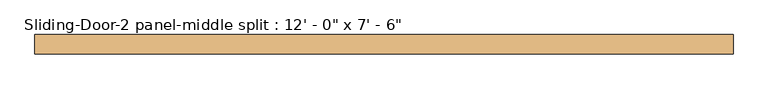
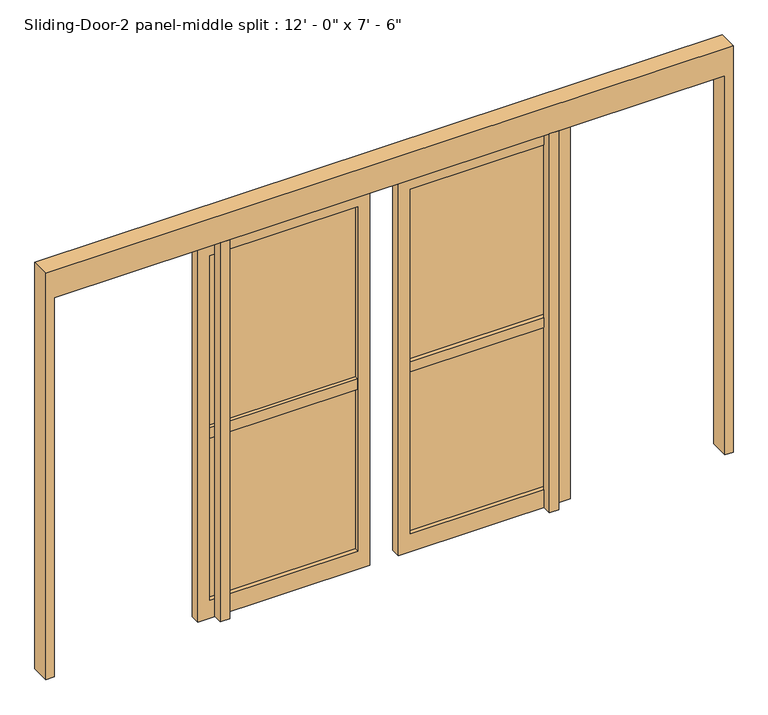
"""IFC4 building model written with IfcOpenShell, lengths in millimetres: door geometry."""

import ifcopenshell
import ifcopenshell.guid

model = None  # the IFC model being written
_history = None  # IfcOwnerHistory: only IFC2X3 demands one
_inside = {}  # id of a spatial element -> (the spatial element, [elements in it])
_under = {}  # id of a project, library or spatial element -> (it, [spatial elements below it])
_declared = {}  # id of a project -> (the project, [libraries it declares])
_typed = {}  # id of a type object -> (the type object, [elements of that type])
_made_of = {}  # id of a material, layer set ... -> (it, [elements and type objects made of it])


def new_model(schema):
    """Start an empty IFC model of exactly this schema.

    Asked for "IFC4X3", IfcOpenShell would pick the latest addendum, in which some entities
    have other attributes; the version numbers below select the first issue.
    IFC2X3 requires an IfcOwnerHistory on every rooted entity: one is made here for all.
    """
    global model, _history
    if schema == "IFC4X3":
        model = ifcopenshell.file(schema_version=(4, 3, 0, 0))
    else:
        model = ifcopenshell.file(schema=schema)
    _inside.clear()
    _under.clear()
    _declared.clear()
    _typed.clear()
    _made_of.clear()
    _history = None
    if model.schema == "IFC2X3":
        org = make("IfcOrganization", Name="unknown")
        user = make(
            "IfcPersonAndOrganization",
            ThePerson=make("IfcPerson", FamilyName="unknown"),
            TheOrganization=org,
        )
        app = make(
            "IfcApplication",
            ApplicationDeveloper=org,
            Version="unknown",
            ApplicationFullName="unknown",
            ApplicationIdentifier="unknown",
        )
        _history = make(
            "IfcOwnerHistory",
            OwningUser=user,
            OwningApplication=app,
            ChangeAction="ADDED",
            CreationDate=0,
        )
    return model


def make(cls, **values):
    """One entity of the class cls with the attributes given. An attribute that is None is left unset."""
    return model.create_entity(
        cls, **{name: value for name, value in values.items() if value is not None}
    )


def rooted(cls, **values):
    """An entity with a GlobalId (a new one), such as an element, a storey or a relation."""
    return make(cls, GlobalId=ifcopenshell.guid.new(), OwnerHistory=_history, **values)


def si_unit(unit_type, name, prefix=None):
    """IfcSIUnit, for example si_unit("LENGTHUNIT", "METRE", prefix="MILLI")."""
    return make("IfcSIUnit", UnitType=unit_type, Prefix=prefix, Name=name)


def assignment(units):
    """IfcUnitAssignment: the units of a project."""
    return None if units is None else make("IfcUnitAssignment", Units=units)


def point(xyz):
    """IfcCartesianPoint."""
    return None if xyz is None else make("IfcCartesianPoint", Coordinates=xyz)


def direction(xyz):
    """IfcDirection."""
    return None if xyz is None else make("IfcDirection", DirectionRatios=xyz)


def frame(location, z_axis=None, x_axis=None):
    """IfcAxis2Placement3D, a coordinate frame: its origin and axes. An axis left out is left unset."""
    return make(
        "IfcAxis2Placement3D",
        Location=point(location),
        Axis=direction(z_axis),
        RefDirection=direction(x_axis),
    )


def origin():
    """The frame at (0, 0, 0) with its axes left unset."""
    return frame((0.0, 0.0, 0.0))


def origin_with_axes():
    """The frame at (0, 0, 0) with the z axis (0, 0, 1) and the x axis (1, 0, 0) written out."""
    return frame((0.0, 0.0, 0.0), z_axis=(0.0, 0.0, 1.0), x_axis=(1.0, 0.0, 0.0))


def place(relative_to, where):
    """IfcLocalPlacement: puts the frame where relative to a parent placement (None: the world)."""
    return make(
        "IfcLocalPlacement", PlacementRelTo=relative_to, RelativePlacement=where
    )


def context(
    kind, dimensions, precision=None, world=None, true_north=None, identifier=None
):
    """IfcGeometricRepresentationContext, for example the 3D "Model" context."""
    return make(
        "IfcGeometricRepresentationContext",
        ContextIdentifier=identifier,
        ContextType=kind,
        CoordinateSpaceDimension=dimensions,
        Precision=precision,
        WorldCoordinateSystem=world,
        TrueNorth=true_north,
    )


def project(units=None, contexts=None):
    """IfcProject with its units and contexts."""
    return rooted(
        "IfcProject",
        Name="project",
        RepresentationContexts=contexts,
        UnitsInContext=assignment(units),
    )


def spatial(cls, under=None, at=None, **own):
    """A site, building, storey or space (cls), placed at a placement, below another one or the project."""
    s = rooted(cls, ObjectPlacement=at, **own)
    if under is not None:
        _under.setdefault(under.id(), (under, []))[1].append(s)
    return s


def polyline(points):
    """IfcPolyline through the points."""
    return make("IfcPolyline", Points=[point(p) for p in points])


def outline(outer, holes=None, kind="AREA"):
    """IfcArbitraryClosedProfileDef: a profile drawn as a closed curve; with holes, ...WithVoids."""
    if holes is None:
        return make("IfcArbitraryClosedProfileDef", ProfileType=kind, OuterCurve=outer)
    return make(
        "IfcArbitraryProfileDefWithVoids",
        ProfileType=kind,
        OuterCurve=outer,
        InnerCurves=holes,
    )


def extrude(swept, where, along, depth):
    """IfcExtrudedAreaSolid: the profile swept, set in the frame where, extruded along a direction by depth."""
    return make(
        "IfcExtrudedAreaSolid",
        SweptArea=swept,
        Position=where,
        ExtrudedDirection=direction(along),
        Depth=depth,
    )


def shape(context_of_items, identifier, shape_type, items):
    """IfcShapeRepresentation: the items that make up one representation, for example the "Body"."""
    return make(
        "IfcShapeRepresentation",
        ContextOfItems=context_of_items,
        RepresentationIdentifier=identifier,
        RepresentationType=shape_type,
        Items=items,
    )


def source(mapping_origin, context_of_items, identifier, shape_type, items):
    """IfcRepresentationMap: a shape defined once, which mapped items show again and again."""
    return make(
        "IfcRepresentationMap",
        MappingOrigin=mapping_origin,
        MappedRepresentation=shape(context_of_items, identifier, shape_type, items),
    )


def transform(
    local_origin,
    x_axis=None,
    y_axis=None,
    z_axis=None,
    scale=None,
    scale2=None,
    scale3=None,
    uniform=True,
):
    """IfcCartesianTransformationOperator3D, or its non-uniform kind. x_axis, y_axis, z_axis: its Axis1, 2, 3."""
    if uniform:
        return make(
            "IfcCartesianTransformationOperator3D",
            Axis1=direction(x_axis),
            Axis2=direction(y_axis),
            LocalOrigin=point(local_origin),
            Scale=scale,
            Axis3=direction(z_axis),
        )
    return make(
        "IfcCartesianTransformationOperator3DnonUniform",
        Axis1=direction(x_axis),
        Axis2=direction(y_axis),
        LocalOrigin=point(local_origin),
        Scale=scale,
        Axis3=direction(z_axis),
        Scale2=scale2,
        Scale3=scale3,
    )


def mapped(mapping_source, mapping_target):
    """IfcMappedItem: shows the shape of a source again, moved by a transform."""
    return make(
        "IfcMappedItem", MappingSource=mapping_source, MappingTarget=mapping_target
    )


def made_of(thing, what):
    """Note that an element or type object is made of a material, layer set ...; save() writes the relation."""
    if what is not None:
        _made_of.setdefault(what.id(), (what, []))[1].append(thing)
    return thing


def element(
    cls,
    number,
    at=None,
    inside=None,
    cuts=None,
    type_object=None,
    material=None,
    context=None,
    identifier="Body",
    shape_type=None,
    held_by="IfcProductDefinitionShape",
    body=None,
    shapes=None,
    **own,
):
    """One element of the class cls, such as IfcWall. Its Tag is "e" and its number.

    at: its placement. inside: the storey or other place that contains it. cuts: it is an
    opening in that element (IfcRelVoidsElement). A single representation is given by context,
    identifier, shape_type and body (its items); several are given by shapes. held_by: the class
    of the entity that holds the representations. save() writes the other relations.
    """
    e = rooted(cls, Tag="e%d" % number, ObjectPlacement=at, **own)
    if body is not None:
        shapes = [shape(context, identifier, shape_type, body)]
    if shapes is not None:
        e.Representation = make(held_by, Representations=shapes)
    if inside is not None:
        _inside.setdefault(inside.id(), (inside, []))[1].append(e)
    if cuts is not None:
        rooted(
            "IfcRelVoidsElement", RelatingBuildingElement=cuts, RelatedOpeningElement=e
        )
    if type_object is not None:
        _typed.setdefault(type_object.id(), (type_object, []))[1].append(e)
    return made_of(e, material)


def aggregate(whole, parts):
    """IfcRelAggregates: a whole, such as a stair, and the parts it consists of."""
    return rooted("IfcRelAggregates", RelatingObject=whole, RelatedObjects=parts)


def save(model, path):
    """Write the relations noted so far, then the file.

    IfcRelAggregates (storeys below a building ...), IfcRelContainedInSpatialStructure (elements
    in a storey), IfcRelDefinesByType, IfcRelAssociatesMaterial and IfcRelDeclares: one each for
    every whole, place, type object, material and project.
    """
    for whole, parts in _under.values():
        aggregate(whole, parts)
    for where, things in _inside.values():
        rooted(
            "IfcRelContainedInSpatialStructure",
            RelatedElements=things,
            RelatingStructure=where,
        )
    for kind, things in _typed.values():
        rooted("IfcRelDefinesByType", RelatedObjects=things, RelatingType=kind)
    for what, things in _made_of.values():
        rooted("IfcRelAssociatesMaterial", RelatedObjects=things, RelatingMaterial=what)
    for by, libraries in _declared.values():
        rooted("IfcRelDeclares", RelatingContext=by, RelatedDefinitions=libraries)
    model.write(path)


def door_a224d55c(model_context):
    return source(origin(), model_context, "Body", "SweptSolid", [
        extrude(outline(polyline([(1371.6, 61.9125), (1320.8, 61.9125), (1320.8, 112.7125), (1371.6, 112.7125), (1371.6, 61.9125)])), origin_with_axes(), (0.0, 0.0, 1.0), 2133.6),
        extrude(outline(polyline([(2286.0, 2298.7), (2286.0, -1358.9), (0.0, -1358.9), (0.0, -1314.45), (2133.6, -1314.45), (2133.6, 2254.25), (0.0, 2254.25), (0.0, 2298.7), (2286.0, 2298.7)])), frame((0.0, 61.9125, 0.0), z_axis=(0.0, 1.0, 0.0), x_axis=(0.0, 0.0, 1.0)), (0.0, 0.0, 1.0), 101.6),
        extrude(outline(polyline([(-431.8, 112.7125), (-381.0, 112.7125), (-381.0, 61.9125), (-431.8, 61.9125), (-431.8, 112.7125)])), origin_with_axes(), (0.0, 0.0, 1.0), 2133.6),
        extrude(outline(polyline([(-457.2, 134.9375), (-457.2, 141.2875), (330.2, 141.2875), (330.2, 134.9375), (-457.2, 134.9375)])), frame((0.0, 0.0, 101.6), z_axis=(0.0, 0.0, 1.0), x_axis=(1.0, 0.0, 0.0)), (0.0, 0.0, 1.0), 1936.75),
        extrude(outline(polyline([(2133.6, 393.7), (2133.6, -520.7), (0.0, -520.7), (0.0, 393.7), (2133.6, 393.7)]), holes=[polyline([(2038.35, 330.2), (101.6, 330.2), (101.6, -457.2), (2038.35, -457.2), (2038.35, 330.2)])]), frame((0.0, 112.7125, 0.0), z_axis=(0.0, 1.0, 0.0), x_axis=(0.0, 0.0, 1.0)), (0.0, 0.0, 1.0), 50.8),
        extrude(outline(polyline([(-457.2, 112.7125), (-457.2, 163.5125), (330.2, 163.5125), (330.2, 112.7125), (-457.2, 112.7125)])), frame((0.0, 0.0, 1012.825), z_axis=(0.0, 0.0, 1.0), x_axis=(1.0, 0.0, 0.0)), (0.0, 0.0, 1.0), 57.15),
        extrude(outline(polyline([(1397.0, 134.9375), (609.6, 134.9375), (609.6, 141.2875), (1397.0, 141.2875), (1397.0, 134.9375)])), frame((0.0, 0.0, 101.6), z_axis=(0.0, 0.0, 1.0), x_axis=(1.0, 0.0, 0.0)), (0.0, 0.0, 1.0), 1936.75),
        extrude(outline(polyline([(2133.6, 546.1), (0.0, 546.1), (0.0, 1460.5), (2133.6, 1460.5), (2133.6, 546.1)]), holes=[polyline([(2038.35, 609.6), (2038.35, 1397.0), (101.6, 1397.0), (101.6, 609.6), (2038.35, 609.6)])]), frame((0.0, 112.7125, 0.0), z_axis=(0.0, 1.0, 0.0), x_axis=(0.0, 0.0, 1.0)), (0.0, 0.0, 1.0), 50.8),
        extrude(outline(polyline([(1397.0, 112.7125), (609.6, 112.7125), (609.6, 163.5125), (1397.0, 163.5125), (1397.0, 112.7125)])), frame((0.0, 0.0, 1012.825), z_axis=(0.0, 0.0, 1.0), x_axis=(1.0, 0.0, 0.0)), (0.0, 0.0, 1.0), 57.15),
    ])


if __name__ == "__main__":
    model = new_model("IFC4")
    model_context = context("Model", 3, world=origin())
    ifc_project = project(units=[si_unit("LENGTHUNIT", "METRE", prefix="MILLI")], contexts=[model_context])
    site = spatial("IfcSite", under=ifc_project)
    building = spatial("IfcBuilding", under=site)
    placement = place(None, origin())
    door_shape = door_a224d55c(model_context)
    element("IfcDoor", 1, ObjectType="Sliding-Door-2 panel-middle split : 12' - 0\" x 7' - 6\"", at=placement, inside=building, context=model_context, shape_type="MappedRepresentation", body=[
        mapped(door_shape, transform((0.0, 0.0, 0.0), x_axis=(1.0, 0.0, 0.0), y_axis=(0.0, 1.0, 0.0), z_axis=(0.0, 0.0, 1.0))),
    ])
    save(model, "model.ifc")
